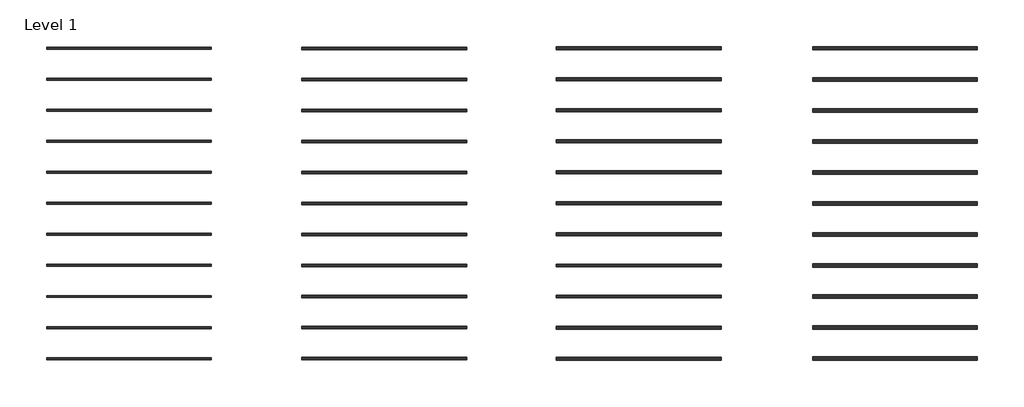
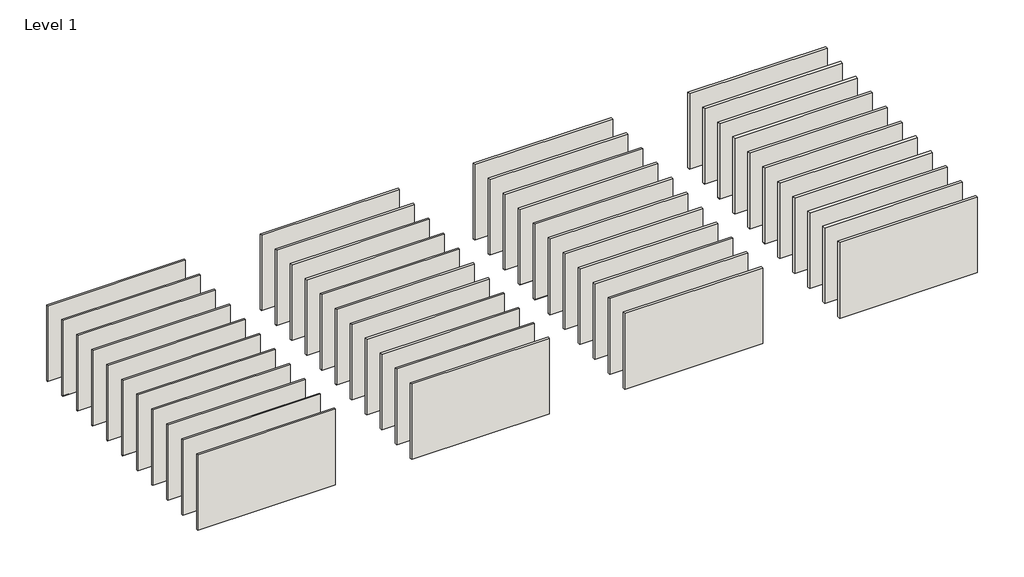
# One storey: 44 walls, 24 proxies.
"""IFC4 building model written with IfcOpenShell, lengths in millimetres."""

from ifc_helpers import new_model, si_unit, frame, origin, origin_with_axes, place, context, project, spatial, polyline, outline, extrude, element, save

model = new_model("IFC4")

# Units and contexts
model_context = context("Model", 3, world=origin())
ifc_project = project(units=[si_unit("LENGTHUNIT", "METRE", prefix="MILLI")], contexts=[model_context])

# Site, building, storey
site = spatial("IfcSite", under=ifc_project)
building = spatial("IfcBuilding", under=site)
storey = spatial("IfcBuildingStorey", under=building, Name="Level 1", Elevation=0.0)

# Proxies
placement = place(None, origin())
element("IfcBuildingElementProxy", 1, Name="Wall Sweeps", at=placement, inside=storey, context=model_context, shape_type="SweptSolid", body=[
    extrude(outline(polyline([(-4338.2145104, 0.0), (-4338.2145104, 31.75), (-4337.0919784, 31.75), (-4337.0919784, 1.5875), (-4245.0169784, 1.5875), (-4245.0169784, 31.75), (-4243.8944464, 31.75), (-4243.8944464, 0.0), (-4338.2145104, 0.0)])), frame((-13426.3188029, 0.0, 0.0), z_axis=(1.0, 0.0, 0.0), x_axis=(0.0, 1.0, 0.0)), (0.0, 0.0, 1.0), 10515.6),
])
element("IfcBuildingElementProxy", 2, Name="Wall Sweeps", at=placement, inside=storey, context=model_context, shape_type="SweptSolid", body=[
    extrude(outline(polyline([(-4338.2145104, 0.0), (-4338.2145104, 31.75), (-4337.0919784, 31.75), (-4337.0919784, 1.5875), (-4245.0169784, 1.5875), (-4245.0169784, 31.75), (-4243.8944464, 31.75), (-4243.8944464, 0.0), (-4338.2145104, 0.0)])), frame((-29733.149403, 0.0, 0.0), z_axis=(1.0, 0.0, 0.0), x_axis=(0.0, 1.0, 0.0)), (0.0, 0.0, 1.0), 10515.6),
])
element("IfcBuildingElementProxy", 3, Name="Wall Sweeps", at=placement, inside=storey, context=model_context, shape_type="SweptSolid", body=[
    extrude(outline(polyline([(-4367.2544784, 0.0), (-4367.2544784, 31.75), (-4366.1319464, 31.75), (-4366.1319464, 1.5875), (-4215.9770104, 1.5875), (-4215.9770104, 31.75), (-4214.8544784, 31.75), (-4214.8544784, 0.0), (-4367.2544784, 0.0)])), frame((2816.6681517, 0.0, 0.0), z_axis=(1.0, 0.0, 0.0), x_axis=(0.0, 1.0, 0.0)), (0.0, 0.0, 1.0), 10515.6),
])
element("IfcBuildingElementProxy", 4, Name="Wall Sweeps", at=placement, inside=storey, context=model_context, shape_type="SweptSolid", body=[
    extrude(outline(polyline([(-4367.2544784, 0.0), (-4367.2544784, 31.75), (-4366.1319464, 31.75), (-4366.1319464, 1.5875), (-4215.9770104, 1.5875), (-4215.9770104, 31.75), (-4214.8544784, 31.75), (-4214.8544784, 0.0), (-4367.2544784, 0.0)])), frame((19187.3120897, 0.0, 0.0), z_axis=(1.0, 0.0, 0.0), x_axis=(0.0, 1.0, 0.0)), (0.0, 0.0, 1.0), 10515.6),
])
element("IfcBuildingElementProxy", 5, Name="Wall Sweeps", at=placement, inside=storey, context=model_context, shape_type="SweptSolid", body=[
    extrude(outline(polyline([(1605.3854896, 0.0), (1605.3854896, 31.75), (1606.5080216, 31.75), (1606.5080216, 1.5875), (1698.5830216, 1.5875), (1698.5830216, 31.75), (1699.7055536, 31.75), (1699.7055536, 0.0), (1605.3854896, 0.0)])), frame((-13426.3188029, 0.0, 0.0), z_axis=(1.0, 0.0, 0.0), x_axis=(0.0, 1.0, 0.0)), (0.0, 0.0, 1.0), 10515.6),
])
element("IfcBuildingElementProxy", 6, Name="Wall Sweeps", at=placement, inside=storey, context=model_context, shape_type="SweptSolid", body=[
    extrude(outline(polyline([(1605.3854896, 0.0), (1605.3854896, 31.75), (1606.5080216, 31.75), (1606.5080216, 1.5875), (1698.5830216, 1.5875), (1698.5830216, 31.75), (1699.7055536, 31.75), (1699.7055536, 0.0), (1605.3854896, 0.0)])), frame((-29733.1188029, 0.0, 0.0), z_axis=(1.0, 0.0, 0.0), x_axis=(0.0, 1.0, 0.0)), (0.0, 0.0, 1.0), 10515.6),
])
element("IfcBuildingElementProxy", 7, Name="Wall Sweeps", at=placement, inside=storey, context=model_context, shape_type="SweptSolid", body=[
    extrude(outline(polyline([(1576.3455216, 0.0), (1576.3455216, 31.75), (1577.4680536, 31.75), (1577.4680536, 1.5875), (1727.6229896, 1.5875), (1727.6229896, 31.75), (1728.7455216, 31.75), (1728.7455216, 0.0), (1576.3455216, 0.0)])), frame((2816.6681517, 0.0, 0.0), z_axis=(1.0, 0.0, 0.0), x_axis=(0.0, 1.0, 0.0)), (0.0, 0.0, 1.0), 10515.6),
])
element("IfcBuildingElementProxy", 8, Name="Wall Sweeps", at=placement, inside=storey, context=model_context, shape_type="SweptSolid", body=[
    extrude(outline(polyline([(1576.3455216, 0.0), (1576.3455216, 31.75), (1577.4680536, 31.75), (1577.4680536, 1.5875), (1727.6229896, 1.5875), (1727.6229896, 31.75), (1728.7455216, 31.75), (1728.7455216, 0.0), (1576.3455216, 0.0)])), frame((19187.3423973, 0.0, 0.0), z_axis=(1.0, 0.0, 0.0), x_axis=(0.0, 1.0, 0.0)), (0.0, 0.0, 1.0), 10515.6),
])
element("IfcBuildingElementProxy", 9, Name="Wall Sweeps", at=placement, inside=storey, context=model_context, shape_type="SweptSolid", body=[
    extrude(outline(polyline([(-2357.0145104, 0.0), (-2357.0145104, 31.75), (-2355.8919784, 31.75), (-2355.8919784, 1.5875), (-2263.8169784, 1.5875), (-2263.8169784, 31.75), (-2262.6944464, 31.75), (-2262.6944464, 0.0), (-2357.0145104, 0.0)])), frame((-13426.3188029, 0.0, 0.0), z_axis=(1.0, 0.0, 0.0), x_axis=(0.0, 1.0, 0.0)), (0.0, 0.0, 1.0), 10515.6),
])
element("IfcBuildingElementProxy", 10, Name="Wall Sweeps", at=placement, inside=storey, context=model_context, shape_type="SweptSolid", body=[
    extrude(outline(polyline([(-2357.0145104, 0.0), (-2357.0145104, 31.75), (-2355.8919784, 31.75), (-2355.8919784, 1.5875), (-2263.8169784, 1.5875), (-2263.8169784, 31.75), (-2262.6944464, 31.75), (-2262.6944464, 0.0), (-2357.0145104, 0.0)])), frame((-29733.149403, 0.0, 0.0), z_axis=(1.0, 0.0, 0.0), x_axis=(0.0, 1.0, 0.0)), (0.0, 0.0, 1.0), 10515.6),
])
element("IfcBuildingElementProxy", 11, Name="Wall Sweeps", at=placement, inside=storey, context=model_context, shape_type="SweptSolid", body=[
    extrude(outline(polyline([(-2386.0544784, 0.0), (-2386.0544784, 31.75), (-2384.9319464, 31.75), (-2384.9319464, 1.5875), (-2234.7770104, 1.5875), (-2234.7770104, 31.75), (-2233.6544784, 31.75), (-2233.6544784, 0.0), (-2386.0544784, 0.0)])), frame((2816.6681517, 0.0, 0.0), z_axis=(1.0, 0.0, 0.0), x_axis=(0.0, 1.0, 0.0)), (0.0, 0.0, 1.0), 10515.6),
])
element("IfcBuildingElementProxy", 12, Name="Wall Sweeps", at=placement, inside=storey, context=model_context, shape_type="SweptSolid", body=[
    extrude(outline(polyline([(-2386.0544784, 0.0), (-2386.0544784, 31.75), (-2384.9319464, 31.75), (-2384.9319464, 1.5875), (-2234.7770104, 1.5875), (-2234.7770104, 31.75), (-2233.6544784, 31.75), (-2233.6544784, 0.0), (-2386.0544784, 0.0)])), frame((19187.3120897, 0.0, 0.0), z_axis=(1.0, 0.0, 0.0), x_axis=(0.0, 1.0, 0.0)), (0.0, 0.0, 1.0), 10515.6),
])
element("IfcBuildingElementProxy", 13, Name="Wall Sweeps", at=placement, inside=storey, context=model_context, shape_type="SweptSolid", body=[
    extrude(outline(polyline([(-375.8145104, 0.0), (-375.8145104, 31.75), (-374.6919784, 31.75), (-374.6919784, 1.5875), (-282.6169784, 1.5875), (-282.6169784, 31.75), (-281.4944464, 31.75), (-281.4944464, 0.0), (-375.8145104, 0.0)])), frame((-13426.3188029, 0.0, 0.0), z_axis=(1.0, 0.0, 0.0), x_axis=(0.0, 1.0, 0.0)), (0.0, 0.0, 1.0), 10515.6),
])
element("IfcBuildingElementProxy", 14, Name="Wall Sweeps", at=placement, inside=storey, context=model_context, shape_type="SweptSolid", body=[
    extrude(outline(polyline([(-375.8145104, 0.0), (-375.8145104, 31.75), (-374.6919784, 31.75), (-374.6919784, 1.5875), (-282.6169784, 1.5875), (-282.6169784, 31.75), (-281.4944464, 31.75), (-281.4944464, 0.0), (-375.8145104, 0.0)])), frame((-29733.149403, 0.0, 0.0), z_axis=(1.0, 0.0, 0.0), x_axis=(0.0, 1.0, 0.0)), (0.0, 0.0, 1.0), 10515.6),
])
element("IfcBuildingElementProxy", 15, Name="Wall Sweeps", at=placement, inside=storey, context=model_context, shape_type="SweptSolid", body=[
    extrude(outline(polyline([(-404.8544784, 0.0), (-404.8544784, 31.75), (-403.7319464, 31.75), (-403.7319464, 1.5875), (-253.5770104, 1.5875), (-253.5770104, 31.75), (-252.4544784, 31.75), (-252.4544784, 0.0), (-404.8544784, 0.0)])), frame((2816.6681517, 0.0, 0.0), z_axis=(1.0, 0.0, 0.0), x_axis=(0.0, 1.0, 0.0)), (0.0, 0.0, 1.0), 10515.6),
])
element("IfcBuildingElementProxy", 16, Name="Wall Sweeps", at=placement, inside=storey, context=model_context, shape_type="SweptSolid", body=[
    extrude(outline(polyline([(-404.8544784, 0.0), (-404.8544784, 31.75), (-403.7319464, 31.75), (-403.7319464, 1.5875), (-253.5770104, 1.5875), (-253.5770104, 31.75), (-252.4544784, 31.75), (-252.4544784, 0.0), (-404.8544784, 0.0)])), frame((19187.3120897, 0.0, 0.0), z_axis=(1.0, 0.0, 0.0), x_axis=(0.0, 1.0, 0.0)), (0.0, 0.0, 1.0), 10515.6),
])
element("IfcBuildingElementProxy", 17, Name="Wall Sweeps", at=placement, inside=storey, context=model_context, shape_type="SweptSolid", body=[
    extrude(outline(polyline([(3586.5854896, 0.0), (3586.5854896, 31.75), (3587.7080216, 31.75), (3587.7080216, 1.5875), (3679.7830216, 1.5875), (3679.7830216, 31.75), (3680.9055536, 31.75), (3680.9055536, 0.0), (3586.5854896, 0.0)])), frame((-13426.3188029, 0.0, 0.0), z_axis=(1.0, 0.0, 0.0), x_axis=(0.0, 1.0, 0.0)), (0.0, 0.0, 1.0), 10515.6),
])
element("IfcBuildingElementProxy", 18, Name="Wall Sweeps", at=placement, inside=storey, context=model_context, shape_type="SweptSolid", body=[
    extrude(outline(polyline([(3586.5854896, 0.0), (3586.5854896, 31.75), (3587.7080216, 31.75), (3587.7080216, 1.5875), (3679.7830216, 1.5875), (3679.7830216, 31.75), (3680.9055536, 31.75), (3680.9055536, 0.0), (3586.5854896, 0.0)])), frame((-29733.1188029, 0.0, 0.0), z_axis=(1.0, 0.0, 0.0), x_axis=(0.0, 1.0, 0.0)), (0.0, 0.0, 1.0), 10515.6),
])
element("IfcBuildingElementProxy", 19, Name="Wall Sweeps", at=placement, inside=storey, context=model_context, shape_type="SweptSolid", body=[
    extrude(outline(polyline([(3557.5455216, 0.0), (3557.5455216, 31.75), (3558.6680536, 31.75), (3558.6680536, 1.5875), (3708.8229896, 1.5875), (3708.8229896, 31.75), (3709.9455216, 31.75), (3709.9455216, 0.0), (3557.5455216, 0.0)])), frame((2816.6681517, 0.0, 0.0), z_axis=(1.0, 0.0, 0.0), x_axis=(0.0, 1.0, 0.0)), (0.0, 0.0, 1.0), 10515.6),
])
element("IfcBuildingElementProxy", 20, Name="Wall Sweeps", at=placement, inside=storey, context=model_context, shape_type="SweptSolid", body=[
    extrude(outline(polyline([(3557.5455216, 0.0), (3557.5455216, 31.75), (3558.6680536, 31.75), (3558.6680536, 1.5875), (3708.8229896, 1.5875), (3708.8229896, 31.75), (3709.9455216, 31.75), (3709.9455216, 0.0), (3557.5455216, 0.0)])), frame((19187.3423973, 0.0, 0.0), z_axis=(1.0, 0.0, 0.0), x_axis=(0.0, 1.0, 0.0)), (0.0, 0.0, 1.0), 10515.6),
])
element("IfcBuildingElementProxy", 21, Name="Wall Sweeps", at=placement, inside=storey, context=model_context, shape_type="SweptSolid", body=[
    extrude(outline(polyline([(5567.7854896, 0.0), (5567.7854896, 31.75), (5568.9080216, 31.75), (5568.9080216, 1.5875), (5660.9830216, 1.5875), (5660.9830216, 31.75), (5662.1055536, 31.75), (5662.1055536, 0.0), (5567.7854896, 0.0)])), frame((-13426.3188029, 0.0, 0.0), z_axis=(1.0, 0.0, 0.0), x_axis=(0.0, 1.0, 0.0)), (0.0, 0.0, 1.0), 10515.6),
])
element("IfcBuildingElementProxy", 22, Name="Wall Sweeps", at=placement, inside=storey, context=model_context, shape_type="SweptSolid", body=[
    extrude(outline(polyline([(5567.7854896, 0.0), (5567.7854896, 31.75), (5568.9080216, 31.75), (5568.9080216, 1.5875), (5660.9830216, 1.5875), (5660.9830216, 31.75), (5662.1055536, 31.75), (5662.1055536, 0.0), (5567.7854896, 0.0)])), frame((-29733.1188029, 0.0, 0.0), z_axis=(1.0, 0.0, 0.0), x_axis=(0.0, 1.0, 0.0)), (0.0, 0.0, 1.0), 10515.6),
])
element("IfcBuildingElementProxy", 23, Name="Wall Sweeps", at=placement, inside=storey, context=model_context, shape_type="SweptSolid", body=[
    extrude(outline(polyline([(5538.7455216, 0.0), (5538.7455216, 31.75), (5539.8680536, 31.75), (5539.8680536, 1.5875), (5690.0229896, 1.5875), (5690.0229896, 31.75), (5691.1455216, 31.75), (5691.1455216, 0.0), (5538.7455216, 0.0)])), frame((2816.6681517, 0.0, 0.0), z_axis=(1.0, 0.0, 0.0), x_axis=(0.0, 1.0, 0.0)), (0.0, 0.0, 1.0), 10515.6),
])
element("IfcBuildingElementProxy", 24, Name="Wall Sweeps", at=placement, inside=storey, context=model_context, shape_type="SweptSolid", body=[
    extrude(outline(polyline([(5538.7455216, 0.0), (5538.7455216, 31.75), (5539.8680536, 31.75), (5539.8680536, 1.5875), (5690.0229896, 1.5875), (5690.0229896, 31.75), (5691.1455216, 31.75), (5691.1455216, 0.0), (5538.7455216, 0.0)])), frame((19187.3423973, 0.0, 0.0), z_axis=(1.0, 0.0, 0.0), x_axis=(0.0, 1.0, 0.0)), (0.0, 0.0, 1.0), 10515.6),
])

# Walls
element("IfcWall", 25, at=placement, inside=storey, context=model_context, shape_type="SweptSolid", body=[
    extrude(outline(polyline([(-2910.7188029, -10314.0294784), (-13426.3188029, -10314.0294784), (-13426.3188029, -10155.2794784), (-2910.7188029, -10155.2794784), (-2910.7188029, -10314.0294784)])), origin_with_axes(), (0.0, 0.0, 1.0), 6096.0),
])
element("IfcWall", 26, at=placement, inside=storey, context=model_context, shape_type="SweptSolid", body=[
    extrude(outline(polyline([(-19217.549403, -10298.1544784), (-29733.149403, -10298.1544784), (-29733.149403, -10171.1544784), (-19217.549403, -10171.1544784), (-19217.549403, -10298.1544784)])), origin_with_axes(), (0.0, 0.0, 1.0), 6096.0),
])
element("IfcWall", 27, at=placement, inside=storey, context=model_context, shape_type="SweptSolid", body=[
    extrude(outline(polyline([(13332.2681517, -10328.3169784), (2816.6681517, -10328.3169784), (2816.6681517, -10140.9919784), (13332.2681517, -10140.9919784), (13332.2681517, -10328.3169784)])), origin_with_axes(), (0.0, 0.0, 1.0), 6096.0),
])
element("IfcWall", 28, at=placement, inside=storey, context=model_context, shape_type="SweptSolid", body=[
    extrude(outline(polyline([(29702.9423973, -10344.1919784), (19187.3423973, -10344.1919784), (19187.3423973, -10125.1169784), (29702.9423973, -10125.1169784), (29702.9423973, -10344.1919784)])), origin_with_axes(), (0.0, 0.0, 1.0), 6096.0),
])
element("IfcWall", 29, at=placement, inside=storey, context=model_context, shape_type="SweptSolid", body=[
    extrude(outline(polyline([(-2910.7188029, -4370.4294784), (-13426.3188029, -4370.4294784), (-13426.3188029, -4211.6794784), (-2910.7188029, -4211.6794784), (-2910.7188029, -4370.4294784)])), origin_with_axes(), (0.0, 0.0, 1.0), 6096.0),
])
element("IfcWall", 30, at=placement, inside=storey, context=model_context, shape_type="SweptSolid", body=[
    extrude(outline(polyline([(-19217.549403, -4354.5544784), (-29733.149403, -4354.5544784), (-29733.149403, -4227.5544784), (-19217.549403, -4227.5544784), (-19217.549403, -4354.5544784)])), origin_with_axes(), (0.0, 0.0, 1.0), 6096.0),
])
element("IfcWall", 31, at=placement, inside=storey, context=model_context, shape_type="SweptSolid", body=[
    extrude(outline(polyline([(13332.2681517, -4384.7169784), (2816.6681517, -4384.7169784), (2816.6681517, -4197.3919784), (13332.2681517, -4197.3919784), (13332.2681517, -4384.7169784)])), origin_with_axes(), (0.0, 0.0, 1.0), 6096.0),
])
element("IfcWall", 32, at=placement, inside=storey, context=model_context, shape_type="SweptSolid", body=[
    extrude(outline(polyline([(29702.9120897, -4400.5919784), (19187.3120897, -4400.5919784), (19187.3120897, -4181.5169784), (29702.9120897, -4181.5169784), (29702.9120897, -4400.5919784)])), origin_with_axes(), (0.0, 0.0, 1.0), 6096.0),
])
element("IfcWall", 33, at=placement, inside=storey, context=model_context, shape_type="SweptSolid", body=[
    extrude(outline(polyline([(-2910.7188029, 1573.1705216), (-13426.3188029, 1573.1705216), (-13426.3188029, 1731.9205216), (-2910.7188029, 1731.9205216), (-2910.7188029, 1573.1705216)])), origin_with_axes(), (0.0, 0.0, 1.0), 6096.0),
])
element("IfcWall", 34, at=placement, inside=storey, context=model_context, shape_type="SweptSolid", body=[
    extrude(outline(polyline([(-19217.5188029, 1589.0455216), (-29733.1188029, 1589.0455216), (-29733.1188029, 1716.0455216), (-19217.5188029, 1716.0455216), (-19217.5188029, 1589.0455216)])), origin_with_axes(), (0.0, 0.0, 1.0), 6096.0),
])
element("IfcWall", 35, at=placement, inside=storey, context=model_context, shape_type="SweptSolid", body=[
    extrude(outline(polyline([(13332.2681517, 1558.8830216), (2816.6681517, 1558.8830216), (2816.6681517, 1746.2080216), (13332.2681517, 1746.2080216), (13332.2681517, 1558.8830216)])), origin_with_axes(), (0.0, 0.0, 1.0), 6096.0),
])
element("IfcWall", 36, at=placement, inside=storey, context=model_context, shape_type="SweptSolid", body=[
    extrude(outline(polyline([(29702.9423973, 1543.0080216), (19187.3423973, 1543.0080216), (19187.3423973, 1762.0830216), (29702.9423973, 1762.0830216), (29702.9423973, 1543.0080216)])), origin_with_axes(), (0.0, 0.0, 1.0), 6096.0),
])
element("IfcWall", 37, at=placement, inside=storey, context=model_context, shape_type="SweptSolid", body=[
    extrude(outline(polyline([(-2910.7188029, -8332.8294784), (-13426.3188029, -8332.8294784), (-13426.3188029, -8174.0794784), (-2910.7188029, -8174.0794784), (-2910.7188029, -8332.8294784)])), origin_with_axes(), (0.0, 0.0, 1.0), 6096.0),
])
element("IfcWall", 38, at=placement, inside=storey, context=model_context, shape_type="SweptSolid", body=[
    extrude(outline(polyline([(-19217.549403, -8316.9544784), (-29733.149403, -8316.9544784), (-29733.149403, -8189.9544784), (-19217.549403, -8189.9544784), (-19217.549403, -8316.9544784)])), origin_with_axes(), (0.0, 0.0, 1.0), 6096.0),
])
element("IfcWall", 39, at=placement, inside=storey, context=model_context, shape_type="SweptSolid", body=[
    extrude(outline(polyline([(13332.2681517, -8347.1169784), (2816.6681517, -8347.1169784), (2816.6681517, -8159.7919784), (13332.2681517, -8159.7919784), (13332.2681517, -8347.1169784)])), origin_with_axes(), (0.0, 0.0, 1.0), 6096.0),
])
element("IfcWall", 40, at=placement, inside=storey, context=model_context, shape_type="SweptSolid", body=[
    extrude(outline(polyline([(29702.9423973, -8362.9919784), (19187.3423973, -8362.9919784), (19187.3423973, -8143.9169784), (29702.9423973, -8143.9169784), (29702.9423973, -8362.9919784)])), origin_with_axes(), (0.0, 0.0, 1.0), 6096.0),
])
element("IfcWall", 41, at=placement, inside=storey, context=model_context, shape_type="SweptSolid", body=[
    extrude(outline(polyline([(-2910.7188029, -6351.6294784), (-13426.3188029, -6351.6294784), (-13426.3188029, -6192.8794784), (-2910.7188029, -6192.8794784), (-2910.7188029, -6351.6294784)])), origin_with_axes(), (0.0, 0.0, 1.0), 6096.0),
])
element("IfcWall", 42, at=placement, inside=storey, context=model_context, shape_type="SweptSolid", body=[
    extrude(outline(polyline([(-19217.549403, -6335.7544784), (-29733.149403, -6335.7544784), (-29733.149403, -6208.7544784), (-19217.549403, -6208.7544784), (-19217.549403, -6335.7544784)])), origin_with_axes(), (0.0, 0.0, 1.0), 6096.0),
])
element("IfcWall", 43, at=placement, inside=storey, context=model_context, shape_type="SweptSolid", body=[
    extrude(outline(polyline([(13332.2681517, -6365.9169784), (2816.6681517, -6365.9169784), (2816.6681517, -6178.5919784), (13332.2681517, -6178.5919784), (13332.2681517, -6365.9169784)])), origin_with_axes(), (0.0, 0.0, 1.0), 6096.0),
])
element("IfcWall", 44, at=placement, inside=storey, context=model_context, shape_type="SweptSolid", body=[
    extrude(outline(polyline([(29702.9423973, -6381.7919784), (19187.3423973, -6381.7919784), (19187.3423973, -6162.7169784), (29702.9423973, -6162.7169784), (29702.9423973, -6381.7919784)])), origin_with_axes(), (0.0, 0.0, 1.0), 6096.0),
])
element("IfcWall", 45, at=placement, inside=storey, context=model_context, shape_type="SweptSolid", body=[
    extrude(outline(polyline([(-2910.7188029, -12295.2294784), (-13426.3188029, -12295.2294784), (-13426.3188029, -12136.4794784), (-2910.7188029, -12136.4794784), (-2910.7188029, -12295.2294784)])), origin_with_axes(), (0.0, 0.0, 1.0), 6096.0),
])
element("IfcWall", 46, at=placement, inside=storey, context=model_context, shape_type="SweptSolid", body=[
    extrude(outline(polyline([(-19217.549403, -12279.3544784), (-29733.149403, -12279.3544784), (-29733.149403, -12152.3544784), (-19217.549403, -12152.3544784), (-19217.549403, -12279.3544784)])), origin_with_axes(), (0.0, 0.0, 1.0), 6096.0),
])
element("IfcWall", 47, at=placement, inside=storey, context=model_context, shape_type="SweptSolid", body=[
    extrude(outline(polyline([(13332.2681517, -12309.5169784), (2816.6681517, -12309.5169784), (2816.6681517, -12122.1919784), (13332.2681517, -12122.1919784), (13332.2681517, -12309.5169784)])), origin_with_axes(), (0.0, 0.0, 1.0), 6096.0),
])
element("IfcWall", 48, at=placement, inside=storey, context=model_context, shape_type="SweptSolid", body=[
    extrude(outline(polyline([(29702.9423973, -12325.3919784), (19187.3423973, -12325.3919784), (19187.3423973, -12106.3169784), (29702.9423973, -12106.3169784), (29702.9423973, -12325.3919784)])), origin_with_axes(), (0.0, 0.0, 1.0), 6096.0),
])
element("IfcWall", 49, at=placement, inside=storey, context=model_context, shape_type="SweptSolid", body=[
    extrude(outline(polyline([(-2910.7188029, -14276.4294784), (-13426.3188029, -14276.4294784), (-13426.3188029, -14117.6794784), (-2910.7188029, -14117.6794784), (-2910.7188029, -14276.4294784)])), origin_with_axes(), (0.0, 0.0, 1.0), 6096.0),
])
element("IfcWall", 50, at=placement, inside=storey, context=model_context, shape_type="SweptSolid", body=[
    extrude(outline(polyline([(-19217.549403, -14260.5544784), (-29733.149403, -14260.5544784), (-29733.149403, -14133.5544784), (-19217.549403, -14133.5544784), (-19217.549403, -14260.5544784)])), origin_with_axes(), (0.0, 0.0, 1.0), 6096.0),
])
element("IfcWall", 51, at=placement, inside=storey, context=model_context, shape_type="SweptSolid", body=[
    extrude(outline(polyline([(13332.2681517, -14290.7169784), (2816.6681517, -14290.7169784), (2816.6681517, -14103.3919784), (13332.2681517, -14103.3919784), (13332.2681517, -14290.7169784)])), origin_with_axes(), (0.0, 0.0, 1.0), 6096.0),
])
element("IfcWall", 52, at=placement, inside=storey, context=model_context, shape_type="SweptSolid", body=[
    extrude(outline(polyline([(29702.9423973, -14306.5919784), (19187.3423973, -14306.5919784), (19187.3423973, -14087.5169784), (29702.9423973, -14087.5169784), (29702.9423973, -14306.5919784)])), origin_with_axes(), (0.0, 0.0, 1.0), 6096.0),
])
element("IfcWall", 53, at=placement, inside=storey, context=model_context, shape_type="SweptSolid", body=[
    extrude(outline(polyline([(-2910.7188029, -2389.2294784), (-13426.3188029, -2389.2294784), (-13426.3188029, -2230.4794784), (-2910.7188029, -2230.4794784), (-2910.7188029, -2389.2294784)])), origin_with_axes(), (0.0, 0.0, 1.0), 6096.0),
])
element("IfcWall", 54, at=placement, inside=storey, context=model_context, shape_type="SweptSolid", body=[
    extrude(outline(polyline([(-19217.549403, -2373.3544784), (-29733.149403, -2373.3544784), (-29733.149403, -2246.3544784), (-19217.549403, -2246.3544784), (-19217.549403, -2373.3544784)])), origin_with_axes(), (0.0, 0.0, 1.0), 6096.0),
])
element("IfcWall", 55, at=placement, inside=storey, context=model_context, shape_type="SweptSolid", body=[
    extrude(outline(polyline([(13332.2681517, -2403.5169784), (2816.6681517, -2403.5169784), (2816.6681517, -2216.1919784), (13332.2681517, -2216.1919784), (13332.2681517, -2403.5169784)])), origin_with_axes(), (0.0, 0.0, 1.0), 6096.0),
])
element("IfcWall", 56, at=placement, inside=storey, context=model_context, shape_type="SweptSolid", body=[
    extrude(outline(polyline([(29702.9120897, -2419.3919784), (19187.3120897, -2419.3919784), (19187.3120897, -2200.3169784), (29702.9120897, -2200.3169784), (29702.9120897, -2419.3919784)])), origin_with_axes(), (0.0, 0.0, 1.0), 6096.0),
])
element("IfcWall", 57, at=placement, inside=storey, context=model_context, shape_type="SweptSolid", body=[
    extrude(outline(polyline([(-2910.7188029, -408.0294784), (-13426.3188029, -408.0294784), (-13426.3188029, -249.2794784), (-2910.7188029, -249.2794784), (-2910.7188029, -408.0294784)])), origin_with_axes(), (0.0, 0.0, 1.0), 6096.0),
])
element("IfcWall", 58, at=placement, inside=storey, context=model_context, shape_type="SweptSolid", body=[
    extrude(outline(polyline([(-19217.549403, -392.1544784), (-29733.149403, -392.1544784), (-29733.149403, -265.1544784), (-19217.549403, -265.1544784), (-19217.549403, -392.1544784)])), origin_with_axes(), (0.0, 0.0, 1.0), 6096.0),
])
element("IfcWall", 59, at=placement, inside=storey, context=model_context, shape_type="SweptSolid", body=[
    extrude(outline(polyline([(13332.2681517, -422.3169784), (2816.6681517, -422.3169784), (2816.6681517, -234.9919784), (13332.2681517, -234.9919784), (13332.2681517, -422.3169784)])), origin_with_axes(), (0.0, 0.0, 1.0), 6096.0),
])
element("IfcWall", 60, at=placement, inside=storey, context=model_context, shape_type="SweptSolid", body=[
    extrude(outline(polyline([(29702.9120897, -438.1919784), (19187.3120897, -438.1919784), (19187.3120897, -219.1169784), (29702.9120897, -219.1169784), (29702.9120897, -438.1919784)])), origin_with_axes(), (0.0, 0.0, 1.0), 6096.0),
])
element("IfcWall", 61, at=placement, inside=storey, context=model_context, shape_type="SweptSolid", body=[
    extrude(outline(polyline([(-2910.7188029, 3554.3705216), (-13426.3188029, 3554.3705216), (-13426.3188029, 3713.1205216), (-2910.7188029, 3713.1205216), (-2910.7188029, 3554.3705216)])), origin_with_axes(), (0.0, 0.0, 1.0), 6096.0),
])
element("IfcWall", 62, at=placement, inside=storey, context=model_context, shape_type="SweptSolid", body=[
    extrude(outline(polyline([(-19217.5188029, 3570.2455216), (-29733.1188029, 3570.2455216), (-29733.1188029, 3697.2455216), (-19217.5188029, 3697.2455216), (-19217.5188029, 3570.2455216)])), origin_with_axes(), (0.0, 0.0, 1.0), 6096.0),
])
element("IfcWall", 63, at=placement, inside=storey, context=model_context, shape_type="SweptSolid", body=[
    extrude(outline(polyline([(13332.2681517, 3540.0830216), (2816.6681517, 3540.0830216), (2816.6681517, 3727.4080216), (13332.2681517, 3727.4080216), (13332.2681517, 3540.0830216)])), origin_with_axes(), (0.0, 0.0, 1.0), 6096.0),
])
element("IfcWall", 64, at=placement, inside=storey, context=model_context, shape_type="SweptSolid", body=[
    extrude(outline(polyline([(29702.9423973, 3524.2080216), (19187.3423973, 3524.2080216), (19187.3423973, 3743.2830216), (29702.9423973, 3743.2830216), (29702.9423973, 3524.2080216)])), origin_with_axes(), (0.0, 0.0, 1.0), 6096.0),
])
element("IfcWall", 65, at=placement, inside=storey, context=model_context, shape_type="SweptSolid", body=[
    extrude(outline(polyline([(-2910.7188029, 5535.5705216), (-13426.3188029, 5535.5705216), (-13426.3188029, 5694.3205216), (-2910.7188029, 5694.3205216), (-2910.7188029, 5535.5705216)])), origin_with_axes(), (0.0, 0.0, 1.0), 6096.0),
])
element("IfcWall", 66, at=placement, inside=storey, context=model_context, shape_type="SweptSolid", body=[
    extrude(outline(polyline([(-19217.5188029, 5551.4455216), (-29733.1188029, 5551.4455216), (-29733.1188029, 5678.4455216), (-19217.5188029, 5678.4455216), (-19217.5188029, 5551.4455216)])), origin_with_axes(), (0.0, 0.0, 1.0), 6096.0),
])
element("IfcWall", 67, at=placement, inside=storey, context=model_context, shape_type="SweptSolid", body=[
    extrude(outline(polyline([(13332.2681517, 5521.2830216), (2816.6681517, 5521.2830216), (2816.6681517, 5708.6080216), (13332.2681517, 5708.6080216), (13332.2681517, 5521.2830216)])), origin_with_axes(), (0.0, 0.0, 1.0), 6096.0),
])
element("IfcWall", 68, at=placement, inside=storey, context=model_context, shape_type="SweptSolid", body=[
    extrude(outline(polyline([(29702.9423973, 5505.4080216), (19187.3423973, 5505.4080216), (19187.3423973, 5724.4830216), (29702.9423973, 5724.4830216), (29702.9423973, 5505.4080216)])), origin_with_axes(), (0.0, 0.0, 1.0), 6096.0),
])

save(model, "model.ifc")
